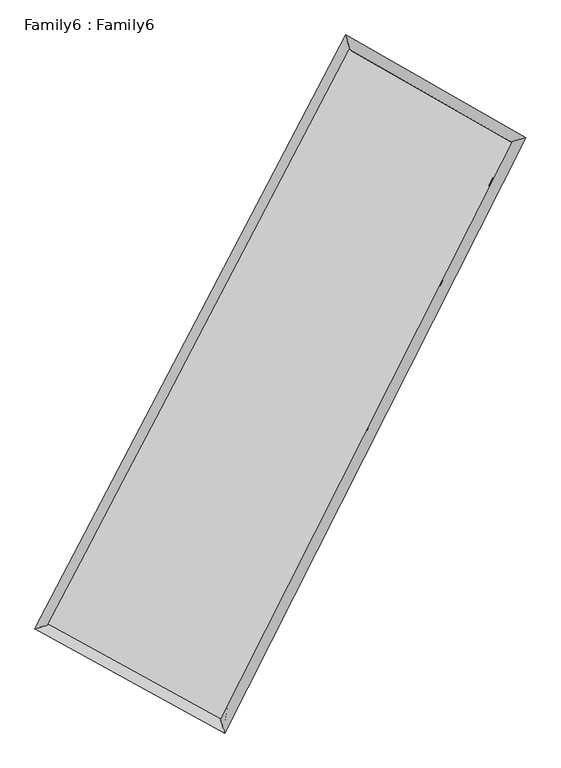
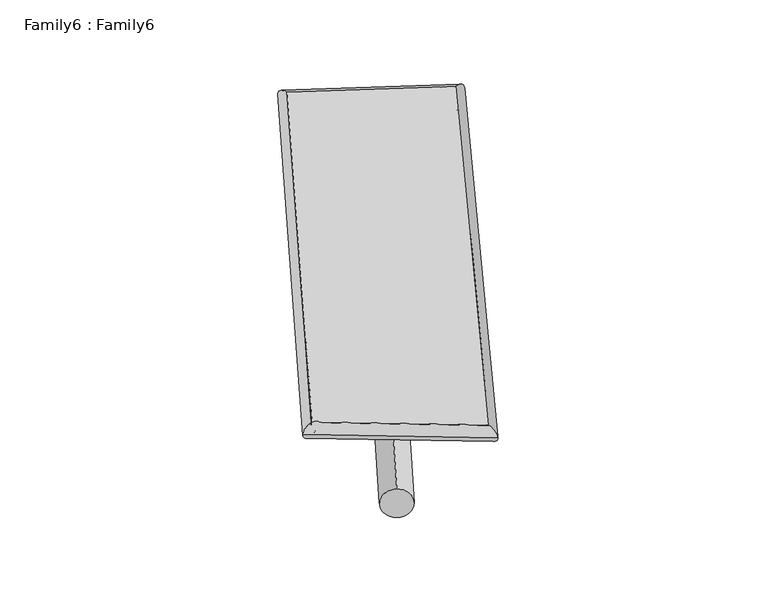
"""IFC4 building model written with IfcOpenShell, lengths in millimetres: plate geometry, Family6 : Family6."""

from ifc_helpers import new_model, si_unit, point, frame, origin, origin_2d, place, context, project, spatial, circle_curve, ellipse_curve, trimmed, segment, composite_curve, outline, extrude, source, transform, mapped, element, save
from ifc_brep_helpers import plane_surface, cylinder_surface, spline_surface, advanced_brep


def family6_family6_f1f85550(model_context):
    return source(origin(), model_context, "Body", "SolidModel", [
        extrude(outline(composite_curve([segment(trimmed(circle_curve(origin_2d(), 76.2), [point((-75.4341514, -10.7763073))], [point((75.4341514, 10.7763073))], False, "CARTESIAN"), True, "CONTINUOUS"), segment(trimmed(circle_curve(origin_2d(), 76.2), [point((75.4341514, 10.7763073))], [point((-75.4341514, -10.7763073))], False, "CARTESIAN"), True, "CONTINUOUS")], self_intersect=False)), frame((9144.0, 9144.0, 0.0), z_axis=(0.6595321021627965, 0.6946179594428534, 0.287268683702504), x_axis=(-0.6875006846127896, 0.7119481315093421, -0.14308272676078823)), (0.0, 0.0, 1.0), 5499.4187957),
        extrude(outline(composite_curve([segment(trimmed(circle_curve(origin_2d(), 76.2), [point((-53.8815367, 53.8815368))], [point((53.8815367, -53.8815368))], False, "CARTESIAN"), True, "CONTINUOUS"), segment(trimmed(circle_curve(origin_2d(), 76.2), [point((53.8815367, -53.8815368))], [point((-53.8815367, 53.8815368))], False, "CARTESIAN"), True, "CONTINUOUS")], self_intersect=False)), frame((9144.0, 9144.0, 0.0), z_axis=(-0.6689474466210343, -0.6866068254341623, 0.28474616929191565), x_axis=(0.64844615673434, -0.35179475333381666, 0.6750985360251219)), (0.0, 0.0, 1.0), 5540.9179298),
        extrude(outline(composite_curve([segment(trimmed(circle_curve(origin_2d(), 76.2), [point((-53.8815367, -53.8815367))], [point((53.8815367, 53.8815367))], False, "CARTESIAN"), True, "CONTINUOUS"), segment(trimmed(circle_curve(origin_2d(), 76.2), [point((53.8815367, 53.8815367))], [point((-53.8815367, -53.8815367))], False, "CARTESIAN"), True, "CONTINUOUS")], self_intersect=False)), frame((9144.0, 9144.0, 0.0), z_axis=(0.18842834672399786, 0.946467572175382, 0.26209519829882266), x_axis=(-0.8515808981278163, 0.29039643816407257, -0.4364400103627551)), (0.0, 0.0, 1.0), 5589.1662859),
        extrude(outline(composite_curve([segment(trimmed(circle_curve(origin_2d(), 76.2), [point((-75.4341514, 10.7763074))], [point((75.4341514, -10.7763074))], False, "CARTESIAN"), True, "CONTINUOUS"), segment(trimmed(circle_curve(origin_2d(), 76.2), [point((75.4341514, -10.7763074))], [point((-75.4341514, 10.7763074))], False, "CARTESIAN"), True, "CONTINUOUS")], self_intersect=False)), frame((9144.0, 9144.0, 0.0), z_axis=(-0.1759482604826728, -0.9487351208782866, 0.2625716664935205), x_axis=(0.9048829512990852, -0.05085370177298936, 0.4226118141560187)), (0.0, 0.0, 1.0), 5587.2660259),
        advanced_brep(
        [(5233.5999978, 5278.2472979, 1570.5906329), (5233.3056382, 5277.8713726, 1586.5474774), (5641.2342, 5400.8885625, 1584.9196768), (10258.6780096, 14223.4006082, 1475.4322581), (10135.6367161, 14644.5286819, 1454.3550339), (5641.5285596, 5401.2644879, 1568.9628323), (12569.7256846, 12903.5403072, 1578.6143847), (12972.3607934, 13024.4498168, 1581.0072125), (8096.0550669, 4052.6527184, 1469.1984124), (8225.8054569, 3633.6762646, 1464.9170907)],
        [
            (0, 1, ellipse_curve(frame((5437.4170989, 5339.5679302, 1577.7551549), z_axis=(-0.2886168114220153, 0.9572896715857963, 0.017228489189332362), x_axis=(-0.9567357771346648, -0.28904873951361276, 0.03327880611020098)), 213.4197946, 152.4)),
            (1, 2, ellipse_curve(frame((5437.4170989, 5339.5679302, 1577.7551549), z_axis=(-0.2886168114220153, 0.9572896715857963, 0.017228489189332362), x_axis=(-0.9567357771346648, -0.28904873951361276, 0.03327880611020098)), 213.4197946, 152.4)),
            (2, 3),
            (3, 4, ellipse_curve(frame((10197.1573628, 14433.9646451, 1464.893646), z_axis=(-0.9594081335317657, -0.28131167468244456, -0.019994374220065995), x_axis=(0.2805373286818095, -0.9592217006181136, 0.03453311858735638)), 219.6417244, 152.4)),
            (4, 0),
            (2, 5, ellipse_curve(frame((5437.4170989, 5339.5679302, 1577.7551549), z_axis=(-0.2886168114220153, 0.9572896715857963, 0.017228489189332362), x_axis=(-0.9567357771346648, -0.28904873951361276, 0.03327880611020098)), 213.4197946, 152.4)),
            (5, 0, ellipse_curve(frame((5437.4170989, 5339.5679302, 1577.7551549), z_axis=(-0.2886168114220153, 0.9572896715857963, 0.017228489189332362), x_axis=(-0.9567357771346648, -0.28904873951361276, 0.03327880611020098)), 213.4197946, 152.4)),
            (4, 3, ellipse_curve(frame((10197.1573628, 14433.9646451, 1464.893646), z_axis=(-0.9594081335317657, -0.28131167468244456, -0.019994374220065995), x_axis=(0.2805373286818095, -0.9592217006181136, 0.03453311858735638)), 219.6417244, 152.4)),
            (3, 6),
            (6, 7, ellipse_curve(frame((12771.043239, 12963.995062, 1579.8107986), z_axis=(-0.28745074297360024, 0.9576046200837004, -0.019117059352241977), x_axis=(-0.9569559864179199, -0.28797706092992664, -0.03611720417013452)), 210.2901891, 152.4)),
            (7, 4),
            (7, 6, ellipse_curve(frame((12771.043239, 12963.995062, 1579.8107986), z_axis=(-0.28745074297360024, 0.9576046200837004, -0.019117059352241977), x_axis=(-0.9569559864179199, -0.28797706092992664, -0.03611720417013452)), 210.2901891, 152.4)),
            (6, 8),
            (8, 9, ellipse_curve(frame((8160.9302619, 3843.1644915, 1467.0577516), z_axis=(0.9550421878998984, 0.295942164896578, -0.017682035168546755), x_axis=(-0.295285283335195, 0.9548590857596497, 0.03241493155783884)), 219.3744993, 152.4)),
            (9, 7),
            (9, 8, ellipse_curve(frame((8160.9302619, 3843.1644915, 1467.0577516), z_axis=(0.9550421878998984, 0.295942164896578, -0.017682035168546755), x_axis=(-0.295285283335195, 0.9548590857596497, 0.03241493155783884)), 219.3744993, 152.4)),
            (8, 5),
            (1, 9),
        ],
        [
            cylinder_surface(frame((5437.4170989, 5339.5679302, 1577.7551549), z_axis=(-0.4636738156244598, -0.8859377595796551, 0.01099449204083645), x_axis=(-0.884807256253209, 0.4623655570876559, -0.05774262637506121)), 152.4),
            cylinder_surface(frame((10197.1573628, 14433.9646451, 1464.893646), z_axis=(-0.8677107374426513, 0.495557477008029, -0.03874097453817056), x_axis=(0.4966962786605661, 0.8674414152166443, -0.028951648168813328)), 152.4),
            cylinder_surface(frame((12771.043239, 12963.995062, 1579.8107986), z_axis=(0.45107224931674494, 0.8924192490451652, 0.011032217818544268), x_axis=(0.8924835634564974, -0.45107224931674494, -0.0026296114398930964)), 152.4),
            cylinder_surface(frame((8160.9302619, 3843.1644915, 1467.0577516), z_axis=(0.8758680278883217, -0.4812357607135558, -0.035599723783590095), x_axis=(-0.480704084687356, -0.8765865674795432, 0.022794136950621626)), 152.4),
        ],
        [
            (0, [[1, 2, 3, 4, 5]]),
            (0, [[6, 7, -5, 8, -3]]),
            (1, [[-4, 9, 10, 11]]),
            (1, [[-8, -11, 12, -9]]),
            (2, [[-10, 13, 14, 15]]),
            (2, [[-12, -15, 16, -13]]),
            (3, [[-14, 17, -6, -2, 18]]),
            (3, [[-16, -18, -1, -7, -17]]),
        ],
    ),
        extrude(outline(composite_curve([segment(trimmed(circle_curve(origin_2d(), 304.8), [point((0.0, -304.7999999))], [point((0.0, 304.8))], False, "CARTESIAN"), True, "CONTINUOUS"), segment(trimmed(circle_curve(origin_2d(), 304.8), [point((0.0, 304.8))], [point((0.0, -304.7999999))], False, "CARTESIAN"), True, "CONTINUOUS")], self_intersect=False)), frame((6742.5050135, 4600.7011115, -0.138099), z_axis=(0.46731295342421386, 0.8840919651482981, 2.6873023166521258e-05), x_axis=(-0.884091965531591, 0.46731295342421375, 6.665339089430227e-06)), (0.0, 0.0, 1.0), 10277.8875222),
        advanced_brep(
        [(5437.4170989, 5339.5679302, 1577.7551549), (8160.9302619, 3843.1644915, 1467.0577516), (8160.9589793, 3843.1552413, 1619.4577486), (5437.4458163, 5339.55868, 1730.1551519), (12771.043239, 12963.995062, 1579.8107986), (12771.0719565, 12963.9858118, 1732.2107956), (10197.1573628, 14433.9646451, 1464.893646), (10197.1860802, 14433.9553949, 1617.293643)],
        [
            (0, 1),
            (1, 2),
            (2, 3),
            (3, 0),
            (1, 4),
            (4, 5),
            (5, 2),
            (4, 6),
            (6, 7),
            (7, 5),
            (6, 0),
            (3, 7),
        ],
        [
            plane_surface(frame((6799.1736804, 4591.3662109, 1522.4064532), z_axis=(-0.4815398231889154, -0.8764242107984828, 3.754257271725188e-05), x_axis=(0.8758680278883216, -0.4812357607135554, -0.03559972378359012))),
            plane_surface(frame((10465.9867505, 8403.5797768, 1523.4342751), z_axis=(0.8924745182890531, -0.45109776763322035, -0.00019555318500367146), x_axis=(0.45107224931674444, 0.8924192490451656, 0.011032217818544252))),
            plane_surface(frame((11484.1003009, 13698.9798535, 1522.3522223), z_axis=(0.4959311493947306, 0.8683618447398344, -4.074375496068358e-05), x_axis=(-0.8677107374426515, 0.4955574770080288, -0.038740974538170575))),
            plane_surface(frame((7817.2872309, 9886.7662876, 1521.3244004), z_axis=(-0.8859902984476296, 0.46370373407386456, 0.0001950964760841587), x_axis=(-0.4636738156244597, -0.8859377595796549, 0.01099449204083645))),
            spline_surface(1, 1, [[(8160.9589793, 3843.1552413, 1619.4577486), (5437.4458163, 5339.55868, 1730.1551519)], [(12771.0719565, 12963.9858118, 1732.2107956), (10197.1860802, 14433.9553949, 1617.293643)]], [2, 2], [2, 2], [0.0, 1.0], [0.0, 1.0]),
            spline_surface(1, 1, [[(10197.1573628, 14433.9646451, 1464.893646), (5437.4170989, 5339.5679302, 1577.7551549)], [(12771.043239, 12963.995062, 1579.8107986), (8160.9302619, 3843.1644915, 1467.0577516)]], [2, 2], [2, 2], [0.0, 1.0], [0.0, 1.0]),
        ],
        [
            (0, [[1, 2, 3, 4]]),
            (1, [[5, 6, 7, -2]]),
            (2, [[8, 9, 10, -6]]),
            (3, [[11, -4, 12, -9]]),
            (4, [[-3, -7, -10, -12]]),
            (5, [[-11, -8, -5, -1]]),
        ],
    ),
    ])


if __name__ == "__main__":
    model = new_model("IFC4")
    model_context = context("Model", 3, world=origin())
    ifc_project = project(units=[si_unit("LENGTHUNIT", "METRE", prefix="MILLI")], contexts=[model_context])
    site = spatial("IfcSite", under=ifc_project)
    building = spatial("IfcBuilding", under=site)
    placement = place(None, origin())
    family6_family6_shape = family6_family6_f1f85550(model_context)
    element("IfcPlate", 1, ObjectType="Family6 : Family6", at=placement, inside=building, context=model_context, shape_type="MappedRepresentation", body=[
        mapped(family6_family6_shape, transform((0.0, 0.0, 0.0), x_axis=(1.0, 0.0, 0.0), y_axis=(0.0, 1.0, 0.0), z_axis=(0.0, 0.0, 1.0))),
    ])
    save(model, "model.ifc")
